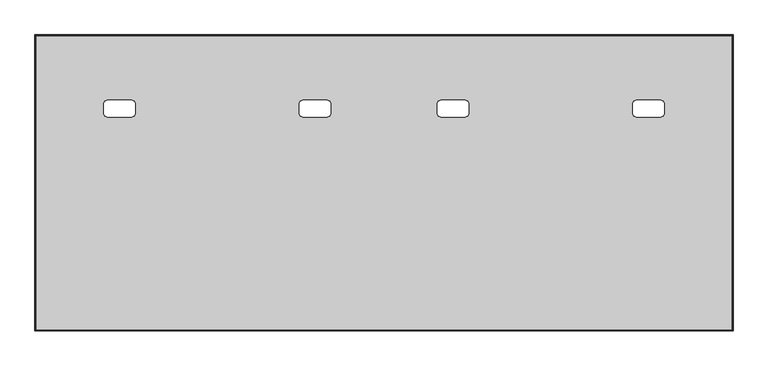
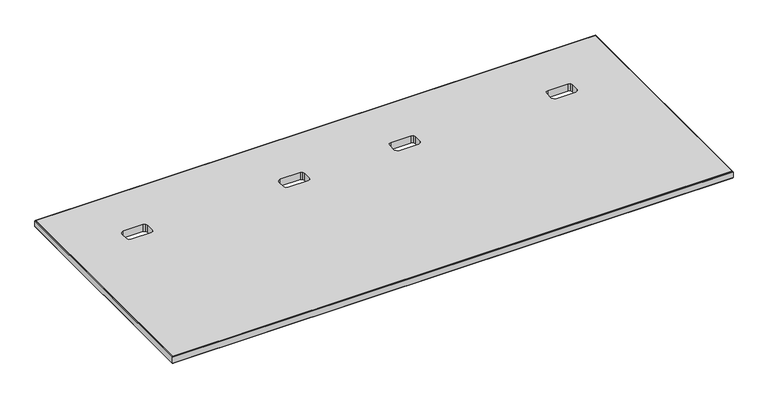
"""IFC4 building model written with IfcOpenShell, lengths in millimetres: furniture geometry."""

from ifc_helpers import new_model, si_unit, frame, origin, place, context, project, spatial, polyline, outline, extrude, faceted_brep, source, transform, mapped, element, save


def furniture_e2ada58a(model_context):
    return source(origin(), model_context, "Body", "SolidModel", [
        faceted_brep([(1.999996, -824.6684132, 711.1999758), (1.999996, -824.6684132, 735.200037), (1825.5045616, -824.6684132, 735.200037), (1825.5045616, -824.6684132, 711.1999758), (0.5857824, -826.0826267, 711.7857685), (1826.9187752, -826.0826267, 711.7857685), (0.0, -826.6684092, 713.1999894), (1827.5045576, -826.6684092, 713.1999894), (0.0, -826.6684092, 733.2000234), (1827.5045576, -826.6684092, 733.2000234), (0.5857824, -826.0826267, 734.6142443), (1826.9187752, -826.0826267, 734.6142443), (1825.5045616, -52.9523956, 735.200037), (1825.5045616, -52.9523956, 711.1999758), (1826.9187752, -51.538182, 711.7857685), (1827.5045576, -50.9523996, 713.1999894), (1827.5045576, -50.9523996, 733.2000234), (1826.9187752, -51.538182, 734.6142443), (1.999996, -52.9523956, 735.200037), (1.999996, -52.9523956, 711.1999758), (0.5857824, -51.538182, 711.7857685), (0.0, -50.9523996, 713.1999894), (0.0, -50.9523996, 733.2000234), (0.5857824, -51.538182, 734.6142443)], [[[0, 1, 2, 3]], [[4, 0, 3, 5]], [[6, 4, 5, 7]], [[8, 6, 7, 9]], [[10, 8, 9, 11]], [[1, 10, 11, 2]], [[3, 2, 12, 13]], [[5, 3, 13, 14]], [[7, 5, 14, 15]], [[9, 7, 15, 16]], [[11, 9, 16, 17]], [[2, 11, 17, 12]], [[13, 12, 18, 19]], [[14, 13, 19, 20]], [[15, 14, 20, 21]], [[16, 15, 21, 22]], [[17, 16, 22, 23]], [[12, 17, 23, 18]], [[19, 18, 1, 0]], [[20, 19, 0, 4]], [[21, 20, 4, 6]], [[22, 21, 6, 8]], [[23, 22, 8, 10]], [[18, 23, 10, 1]]]),
        extrude(outline(polyline([(1.999996, -52.9523956), (1825.5045616, -52.9523956), (1825.5045616, -824.6684132), (1.999996, -824.6684132), (1.999996, -52.9523956)]), holes=[polyline([(253.7409981, -221.568398), (189.2349973, -221.568398), (182.4962734, -224.3596702), (179.7050012, -231.098394), (179.7050012, -257.5043949), (182.4962734, -264.2431187), (189.2349973, -267.0343909), (253.7409981, -267.0343909), (260.479722, -264.2431187), (263.2709942, -257.5043949), (263.2709942, -231.098394), (260.479722, -224.3596702), (253.7409981, -221.568398)]), polyline([(1638.2695876, -221.568398), (1573.7635868, -221.568398), (1567.0248629, -224.3596702), (1564.2335907, -231.098394), (1564.2335907, -257.5043949), (1567.0248629, -264.2431187), (1573.7635868, -267.0343909), (1638.2695876, -267.0343909), (1645.0083115, -264.2431187), (1647.7995837, -257.5043949), (1647.7995837, -231.098394), (1645.0083115, -224.3596702), (1638.2695876, -221.568398)]), polyline([(765.4741036, -221.568398), (700.9681027, -221.568398), (694.2293789, -224.3596702), (691.4381067, -231.098394), (691.4381067, -257.5043949), (694.2293789, -264.2431187), (700.9681027, -267.0343909), (765.4741036, -267.0343909), (772.2128274, -264.2431187), (775.0040997, -257.5043949), (775.0040997, -231.098394), (772.2128274, -224.3596702), (765.4741036, -221.568398)]), polyline([(1126.5364821, -221.568398), (1062.0304813, -221.568398), (1055.2917574, -224.3596702), (1052.5004852, -231.098394), (1052.5004852, -257.5043949), (1055.2917574, -264.2431187), (1062.0304813, -267.0343909), (1126.5364821, -267.0343909), (1133.275206, -264.2431187), (1136.0664782, -257.5043949), (1136.0664782, -231.098394), (1133.275206, -224.3596702), (1126.5364821, -221.568398)])]), frame((0.0, 0.0, 711.1999758), z_axis=(0.0, 0.0, 1.0), x_axis=(1.0, 0.0, 0.0)), (0.0, 0.0, 1.0), 24.003),
    ])


if __name__ == "__main__":
    model = new_model("IFC4")
    model_context = context("Model", 3, world=origin())
    ifc_project = project(units=[si_unit("LENGTHUNIT", "METRE", prefix="MILLI")], contexts=[model_context])
    site = spatial("IfcSite", under=ifc_project)
    building = spatial("IfcBuilding", under=site)
    placement = place(None, origin())
    furniture_shape = furniture_e2ada58a(model_context)
    element("IfcFurniture", 1, at=placement, inside=building, context=model_context, shape_type="MappedRepresentation", body=[
        mapped(furniture_shape, transform((0.0, 0.0, 0.0), x_axis=(1.0, 0.0, 0.0), y_axis=(0.0, 1.0, 0.0), z_axis=(0.0, 0.0, 1.0))),
    ])
    save(model, "model.ifc")
